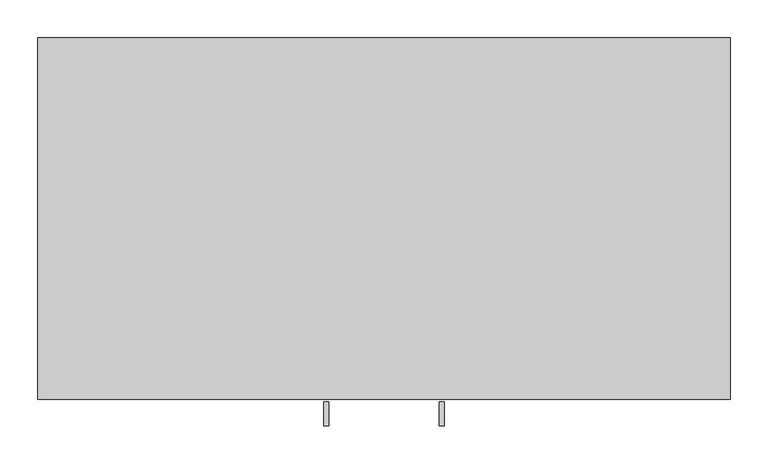
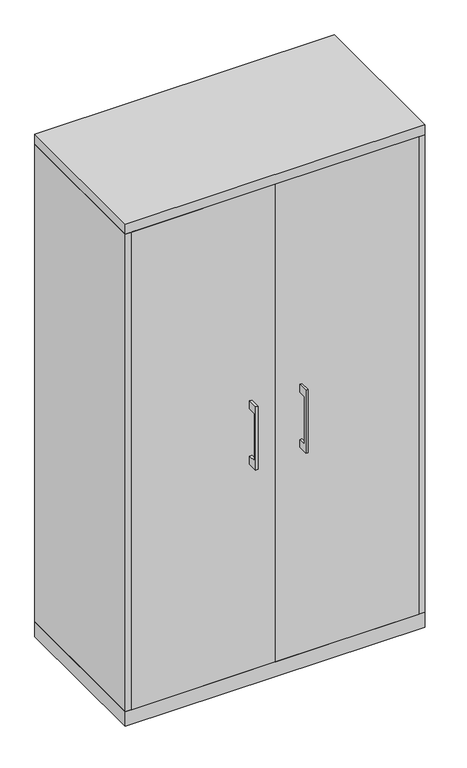
"""IFC4 building model written with IfcOpenShell, lengths in millimetres: furniture geometry."""

import ifcopenshell
import ifcopenshell.guid

model = None  # the IFC model being written
_history = None  # IfcOwnerHistory: only IFC2X3 demands one
_inside = {}  # id of a spatial element -> (the spatial element, [elements in it])
_under = {}  # id of a project, library or spatial element -> (it, [spatial elements below it])
_declared = {}  # id of a project -> (the project, [libraries it declares])
_typed = {}  # id of a type object -> (the type object, [elements of that type])
_made_of = {}  # id of a material, layer set ... -> (it, [elements and type objects made of it])


def new_model(schema):
    """Start an empty IFC model of exactly this schema.

    Asked for "IFC4X3", IfcOpenShell would pick the latest addendum, in which some entities
    have other attributes; the version numbers below select the first issue.
    IFC2X3 requires an IfcOwnerHistory on every rooted entity: one is made here for all.
    """
    global model, _history
    if schema == "IFC4X3":
        model = ifcopenshell.file(schema_version=(4, 3, 0, 0))
    else:
        model = ifcopenshell.file(schema=schema)
    _inside.clear()
    _under.clear()
    _declared.clear()
    _typed.clear()
    _made_of.clear()
    _history = None
    if model.schema == "IFC2X3":
        org = make("IfcOrganization", Name="unknown")
        user = make(
            "IfcPersonAndOrganization",
            ThePerson=make("IfcPerson", FamilyName="unknown"),
            TheOrganization=org,
        )
        app = make(
            "IfcApplication",
            ApplicationDeveloper=org,
            Version="unknown",
            ApplicationFullName="unknown",
            ApplicationIdentifier="unknown",
        )
        _history = make(
            "IfcOwnerHistory",
            OwningUser=user,
            OwningApplication=app,
            ChangeAction="ADDED",
            CreationDate=0,
        )
    return model


def make(cls, **values):
    """One entity of the class cls with the attributes given. An attribute that is None is left unset."""
    return model.create_entity(
        cls, **{name: value for name, value in values.items() if value is not None}
    )


def rooted(cls, **values):
    """An entity with a GlobalId (a new one), such as an element, a storey or a relation."""
    return make(cls, GlobalId=ifcopenshell.guid.new(), OwnerHistory=_history, **values)


def si_unit(unit_type, name, prefix=None):
    """IfcSIUnit, for example si_unit("LENGTHUNIT", "METRE", prefix="MILLI")."""
    return make("IfcSIUnit", UnitType=unit_type, Prefix=prefix, Name=name)


def assignment(units):
    """IfcUnitAssignment: the units of a project."""
    return None if units is None else make("IfcUnitAssignment", Units=units)


def point(xyz):
    """IfcCartesianPoint."""
    return None if xyz is None else make("IfcCartesianPoint", Coordinates=xyz)


def direction(xyz):
    """IfcDirection."""
    return None if xyz is None else make("IfcDirection", DirectionRatios=xyz)


def frame(location, z_axis=None, x_axis=None):
    """IfcAxis2Placement3D, a coordinate frame: its origin and axes. An axis left out is left unset."""
    return make(
        "IfcAxis2Placement3D",
        Location=point(location),
        Axis=direction(z_axis),
        RefDirection=direction(x_axis),
    )


def origin():
    """The frame at (0, 0, 0) with its axes left unset."""
    return frame((0.0, 0.0, 0.0))


def origin_with_axes():
    """The frame at (0, 0, 0) with the z axis (0, 0, 1) and the x axis (1, 0, 0) written out."""
    return frame((0.0, 0.0, 0.0), z_axis=(0.0, 0.0, 1.0), x_axis=(1.0, 0.0, 0.0))


def place(relative_to, where):
    """IfcLocalPlacement: puts the frame where relative to a parent placement (None: the world)."""
    return make(
        "IfcLocalPlacement", PlacementRelTo=relative_to, RelativePlacement=where
    )


def context(
    kind, dimensions, precision=None, world=None, true_north=None, identifier=None
):
    """IfcGeometricRepresentationContext, for example the 3D "Model" context."""
    return make(
        "IfcGeometricRepresentationContext",
        ContextIdentifier=identifier,
        ContextType=kind,
        CoordinateSpaceDimension=dimensions,
        Precision=precision,
        WorldCoordinateSystem=world,
        TrueNorth=true_north,
    )


def project(units=None, contexts=None):
    """IfcProject with its units and contexts."""
    return rooted(
        "IfcProject",
        Name="project",
        RepresentationContexts=contexts,
        UnitsInContext=assignment(units),
    )


def spatial(cls, under=None, at=None, **own):
    """A site, building, storey or space (cls), placed at a placement, below another one or the project."""
    s = rooted(cls, ObjectPlacement=at, **own)
    if under is not None:
        _under.setdefault(under.id(), (under, []))[1].append(s)
    return s


def polyline(points):
    """IfcPolyline through the points."""
    return make("IfcPolyline", Points=[point(p) for p in points])


def outline(outer, holes=None, kind="AREA"):
    """IfcArbitraryClosedProfileDef: a profile drawn as a closed curve; with holes, ...WithVoids."""
    if holes is None:
        return make("IfcArbitraryClosedProfileDef", ProfileType=kind, OuterCurve=outer)
    return make(
        "IfcArbitraryProfileDefWithVoids",
        ProfileType=kind,
        OuterCurve=outer,
        InnerCurves=holes,
    )


def extrude(swept, where, along, depth):
    """IfcExtrudedAreaSolid: the profile swept, set in the frame where, extruded along a direction by depth."""
    return make(
        "IfcExtrudedAreaSolid",
        SweptArea=swept,
        Position=where,
        ExtrudedDirection=direction(along),
        Depth=depth,
    )


def shape(context_of_items, identifier, shape_type, items):
    """IfcShapeRepresentation: the items that make up one representation, for example the "Body"."""
    return make(
        "IfcShapeRepresentation",
        ContextOfItems=context_of_items,
        RepresentationIdentifier=identifier,
        RepresentationType=shape_type,
        Items=items,
    )


def source(mapping_origin, context_of_items, identifier, shape_type, items):
    """IfcRepresentationMap: a shape defined once, which mapped items show again and again."""
    return make(
        "IfcRepresentationMap",
        MappingOrigin=mapping_origin,
        MappedRepresentation=shape(context_of_items, identifier, shape_type, items),
    )


def transform(
    local_origin,
    x_axis=None,
    y_axis=None,
    z_axis=None,
    scale=None,
    scale2=None,
    scale3=None,
    uniform=True,
):
    """IfcCartesianTransformationOperator3D, or its non-uniform kind. x_axis, y_axis, z_axis: its Axis1, 2, 3."""
    if uniform:
        return make(
            "IfcCartesianTransformationOperator3D",
            Axis1=direction(x_axis),
            Axis2=direction(y_axis),
            LocalOrigin=point(local_origin),
            Scale=scale,
            Axis3=direction(z_axis),
        )
    return make(
        "IfcCartesianTransformationOperator3DnonUniform",
        Axis1=direction(x_axis),
        Axis2=direction(y_axis),
        LocalOrigin=point(local_origin),
        Scale=scale,
        Axis3=direction(z_axis),
        Scale2=scale2,
        Scale3=scale3,
    )


def mapped(mapping_source, mapping_target):
    """IfcMappedItem: shows the shape of a source again, moved by a transform."""
    return make(
        "IfcMappedItem", MappingSource=mapping_source, MappingTarget=mapping_target
    )


def made_of(thing, what):
    """Note that an element or type object is made of a material, layer set ...; save() writes the relation."""
    if what is not None:
        _made_of.setdefault(what.id(), (what, []))[1].append(thing)
    return thing


def element(
    cls,
    number,
    at=None,
    inside=None,
    cuts=None,
    type_object=None,
    material=None,
    context=None,
    identifier="Body",
    shape_type=None,
    held_by="IfcProductDefinitionShape",
    body=None,
    shapes=None,
    **own,
):
    """One element of the class cls, such as IfcWall. Its Tag is "e" and its number.

    at: its placement. inside: the storey or other place that contains it. cuts: it is an
    opening in that element (IfcRelVoidsElement). A single representation is given by context,
    identifier, shape_type and body (its items); several are given by shapes. held_by: the class
    of the entity that holds the representations. save() writes the other relations.
    """
    e = rooted(cls, Tag="e%d" % number, ObjectPlacement=at, **own)
    if body is not None:
        shapes = [shape(context, identifier, shape_type, body)]
    if shapes is not None:
        e.Representation = make(held_by, Representations=shapes)
    if inside is not None:
        _inside.setdefault(inside.id(), (inside, []))[1].append(e)
    if cuts is not None:
        rooted(
            "IfcRelVoidsElement", RelatingBuildingElement=cuts, RelatedOpeningElement=e
        )
    if type_object is not None:
        _typed.setdefault(type_object.id(), (type_object, []))[1].append(e)
    return made_of(e, material)


def aggregate(whole, parts):
    """IfcRelAggregates: a whole, such as a stair, and the parts it consists of."""
    return rooted("IfcRelAggregates", RelatingObject=whole, RelatedObjects=parts)


def save(model, path):
    """Write the relations noted so far, then the file.

    IfcRelAggregates (storeys below a building ...), IfcRelContainedInSpatialStructure (elements
    in a storey), IfcRelDefinesByType, IfcRelAssociatesMaterial and IfcRelDeclares: one each for
    every whole, place, type object, material and project.
    """
    for whole, parts in _under.values():
        aggregate(whole, parts)
    for where, things in _inside.values():
        rooted(
            "IfcRelContainedInSpatialStructure",
            RelatedElements=things,
            RelatingStructure=where,
        )
    for kind, things in _typed.values():
        rooted("IfcRelDefinesByType", RelatedObjects=things, RelatingType=kind)
    for what, things in _made_of.values():
        rooted("IfcRelAssociatesMaterial", RelatedObjects=things, RelatingMaterial=what)
    for by, libraries in _declared.values():
        rooted("IfcRelDeclares", RelatingContext=by, RelatedDefinitions=libraries)
    model.write(path)


def furniture_26448e51(model_context):
    return source(origin(), model_context, "Body", "SweptSolid", [
        extrude(outline(polyline([(436.5625, -19.05), (436.5625, -457.2), (-436.5625, -457.2), (-436.5625, -19.05), (436.5625, -19.05)])), frame((0.0, 0.0, 958.215), z_axis=(0.0, 0.0, 1.0), x_axis=(1.0, 0.0, 0.0)), (0.0, 0.0, 1.0), 19.05),
        extrude(outline(polyline([(436.5625, -19.05), (436.5625, -457.2), (-436.5625, -457.2), (-436.5625, -19.05), (436.5625, -19.05)])), frame((0.0, 0.0, 651.51), z_axis=(0.0, 0.0, 1.0), x_axis=(1.0, 0.0, 0.0)), (0.0, 0.0, 1.0), 19.05),
        extrude(outline(polyline([(-479.425, 890.5875), (-504.8249758, 890.5875), (-504.8249758, 738.1875), (-479.425, 738.1875), (-479.425, 712.7875), (-511.1749879, 712.7875), (-511.1749879, 915.9875), (-479.425, 915.9875), (-479.425, 890.5875)])), frame((-79.3749879, 0.0, 0.0), z_axis=(1.0, 0.0, 0.0), x_axis=(0.0, 1.0, 0.0)), (0.0, 0.0, 1.0), 6.3499758),
        extrude(outline(polyline([(-436.5625, -476.25), (-436.5625, -457.2), (0.0, -457.2), (0.0, -476.25), (-436.5625, -476.25)])), frame((0.0, 0.0, 47.625), z_axis=(0.0, 0.0, 1.0), x_axis=(1.0, 0.0, 0.0)), (0.0, 0.0, 1.0), 1533.525),
        extrude(outline(polyline([(-479.425, 890.5875), (-504.8249758, 890.5875), (-504.8249758, 738.1875), (-479.425, 738.1875), (-479.425, 712.7875), (-511.1749879, 712.7875), (-511.1749879, 915.9875), (-479.425, 915.9875), (-479.425, 890.5875)])), frame((73.0250121, 0.0, 0.0), z_axis=(1.0, 0.0, 0.0), x_axis=(0.0, 1.0, 0.0)), (0.0, 0.0, 1.0), 6.3499758),
        extrude(outline(polyline([(436.5625, -476.25), (0.0, -476.25), (0.0, -457.2), (436.5625, -457.2), (436.5625, -476.25)])), frame((0.0, 0.0, 47.625), z_axis=(0.0, 0.0, 1.0), x_axis=(1.0, 0.0, 0.0)), (0.0, 0.0, 1.0), 1533.525),
        extrude(outline(polyline([(436.5625, -19.05), (436.5625, -457.2), (-436.5625, -457.2), (-436.5625, -19.05), (436.5625, -19.05)])), frame((0.0, 0.0, 1264.92), z_axis=(0.0, 0.0, 1.0), x_axis=(1.0, 0.0, 0.0)), (0.0, 0.0, 1.0), 19.05),
        extrude(outline(polyline([(436.5625, -19.05), (436.5625, -457.2), (-436.5625, -457.2), (-436.5625, -19.05), (436.5625, -19.05)])), frame((0.0, 0.0, 344.805), z_axis=(0.0, 0.0, 1.0), x_axis=(1.0, 0.0, 0.0)), (0.0, 0.0, 1.0), 19.05),
        extrude(outline(polyline([(455.6125, 0.0), (455.6125, -476.25), (-455.6125, -476.25), (-455.6125, 0.0), (455.6125, 0.0)])), origin_with_axes(), (0.0, 0.0, 1.0), 47.625),
        extrude(outline(polyline([(455.6125, 0.0), (455.6125, -476.25), (-455.6125, -476.25), (-455.6125, 0.0), (455.6125, 0.0)])), frame((0.0, 0.0, 1581.15), z_axis=(0.0, 0.0, 1.0), x_axis=(1.0, 0.0, 0.0)), (0.0, 0.0, 1.0), 31.75),
        extrude(outline(polyline([(455.6125, 0.0), (455.6125, -476.25), (436.5625, -476.25), (436.5625, -19.05), (-436.5625, -19.05), (-436.5625, -476.25), (-455.6125, -476.25), (-455.6125, 0.0), (455.6125, 0.0)])), frame((0.0, 0.0, 47.625), z_axis=(0.0, 0.0, 1.0), x_axis=(1.0, 0.0, 0.0)), (0.0, 0.0, 1.0), 1533.525),
    ])


if __name__ == "__main__":
    model = new_model("IFC4")
    model_context = context("Model", 3, world=origin())
    ifc_project = project(units=[si_unit("LENGTHUNIT", "METRE", prefix="MILLI")], contexts=[model_context])
    site = spatial("IfcSite", under=ifc_project)
    building = spatial("IfcBuilding", under=site)
    placement = place(None, origin())
    furniture_shape = furniture_26448e51(model_context)
    element("IfcFurniture", 1, at=placement, inside=building, context=model_context, shape_type="MappedRepresentation", body=[
        mapped(furniture_shape, transform((0.0, 0.0, 0.0), x_axis=(1.0, 0.0, 0.0), y_axis=(0.0, 1.0, 0.0), z_axis=(0.0, 0.0, 1.0))),
    ])
    save(model, "model.ifc")
